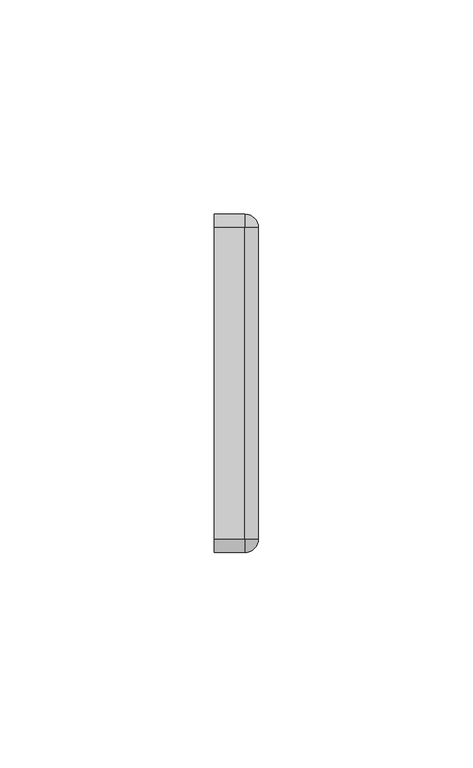
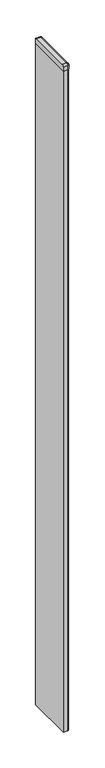
"""IFC4 building model written with IfcOpenShell, lengths in millimetres: furniture geometry."""

from ifc_helpers import new_model, si_unit, point, frame, frame_2d, origin, place, context, project, spatial, polyline, circle_curve, ellipse_curve, trimmed, segment, composite_curve, outline, extrude, source, transform, mapped, element, save
from ifc_brep_helpers import plane_surface, cylinder_surface, revolved_surface, advanced_brep


def furniture_729ce652(model_context):
    return source(origin(), model_context, "Body", "SolidModel", [
        advanced_brep(
        [(6.1101987, -36.7238842, 1150.4025358), (6.1101987, -36.7238842, 1156.7525115), (2.9351984, -36.7238842, 1159.9037), (2.9351984, -36.7238842, 1150.4025358), (2.9351984, 35.8724944, 1159.9037), (6.1101987, 35.8724944, 1156.7525115), (6.1101987, 35.8724944, 1150.4025358), (2.9351984, 35.8724944, 1150.4025358), (2.9351984, -39.8988812, 1150.4025358), (-4.1768018, -39.8988812, 1150.4025358), (-4.1768018, 39.0474944, 1150.4025358), (2.9351984, 39.0474944, 1150.4025358), (-4.1768018, 35.8724944, 1159.9037), (-4.1768018, -36.7238842, 1159.9037), (-4.1768018, 39.0474944, 1156.7525115), (-4.1768018, -39.8988812, 1156.7525115), (2.9351984, 39.0474944, 1156.7525115), (2.9351984, -39.8988812, 1156.7525115)],
        [
            (0, 1),
            (1, 2, circle_curve(frame((2.958921, -36.7238842, 1156.7525115), z_axis=(0.0, -1.0, 0.0), x_axis=(-1.0, 0.0, 0.0)), 3.1512778)),
            (2, 3),
            (3, 0),
            (4, 5, circle_curve(frame((2.958921, 35.8724944, 1156.7525115), z_axis=(0.0, 1.0, 0.0), x_axis=(-1.0, 0.0, 0.0)), 3.1512778)),
            (5, 6),
            (6, 7),
            (7, 4),
            (6, 0),
            (3, 8),
            (8, 9),
            (9, 10),
            (10, 11),
            (11, 7),
            (5, 1),
            (4, 2),
            (4, 12),
            (12, 13),
            (13, 2),
            (12, 14, circle_curve(frame((-4.1768018, 35.8962166, 1156.7525115), z_axis=(-1.0, 0.0, 0.0), x_axis=(0.0, 1.0, 0.0)), 3.1512778)),
            (14, 10),
            (9, 15),
            (15, 13, circle_curve(frame((-4.1768018, -36.7476035, 1156.7525115), z_axis=(-1.0, 0.0, 0.0), x_axis=(0.0, 1.0, 0.0)), 3.1512777)),
            (11, 16),
            (16, 4, circle_curve(frame((2.9351984, 35.8962166, 1156.7525115), z_axis=(1.0, 0.0, 0.0), x_axis=(0.0, 1.0, 0.0)), 3.1512778)),
            (14, 16),
            (2, 17, circle_curve(frame((2.9351984, -36.7476035, 1156.7525115), z_axis=(1.0, 0.0, 0.0), x_axis=(0.0, 1.0, 0.0)), 3.1512777)),
            (17, 8),
            (17, 15),
        ],
        [
            plane_surface(frame((4.522698, -36.7238842, 1156.7525115), z_axis=(0.0, -1.0, 0.0), x_axis=(0.0, 0.0, 1.0))),
            plane_surface(frame((4.522698, 35.8724944, 1156.7525115), z_axis=(0.0, 1.0, 0.0), x_axis=(0.0, 0.0, 1.0))),
            plane_surface(frame((-4.1768018, -36.7238842, 1150.4025358), z_axis=(0.0, 0.0, -1.0), x_axis=(0.0, 1.0, 0.0))),
            plane_surface(frame((6.1101987, -36.7238842, 1150.4025358), z_axis=(1.0, 0.0, 0.0), x_axis=(0.0, 1.0, 0.0))),
            cylinder_surface(frame((2.958921, -36.7238842, 1156.7525115), z_axis=(0.0, -1.0, 0.0), x_axis=(-1.0, 0.0, 0.0)), 3.1512778),
            plane_surface(frame((2.9351984, -36.7238842, 1159.9037), z_axis=(0.0, 0.0, 1.0), x_axis=(0.0, 1.0, 0.0))),
            plane_surface(frame((-4.1768018, -36.7238842, 1159.9037), z_axis=(-1.0, 0.0, 0.0), x_axis=(0.0, 1.0, 0.0))),
            plane_surface(frame((2.9351984, 37.4599943, 1156.7525115), z_axis=(1.0, 0.0, 0.0), x_axis=(0.0, 0.0, 1.0))),
            plane_surface(frame((-4.1768018, 39.0474944, 1156.7525115), z_axis=(0.0, 1.0, 0.0), x_axis=(1.0, 0.0, 0.0))),
            cylinder_surface(frame((-4.1768018, 35.8962166, 1156.7525115), z_axis=(-1.0, 0.0, 0.0), x_axis=(0.0, 1.0, 0.0)), 3.1512778),
            plane_surface(frame((2.9351984, -38.3113782, 1156.7525115), z_axis=(1.0, 0.0, 0.0), x_axis=(0.0, 0.0, 1.0))),
            plane_surface(frame((-4.1768018, -39.8988812, 1150.4025358), z_axis=(0.0, -1.0, 0.0), x_axis=(1.0, 0.0, 0.0))),
            cylinder_surface(frame((-4.1768018, -36.7476035, 1156.7525115), z_axis=(-1.0, 0.0, 0.0), x_axis=(0.0, 1.0, 0.0)), 3.1512777),
        ],
        [
            (0, [[1, 2, 3, 4]]),
            (1, [[5, 6, 7, 8]]),
            (2, [[9, -4, 10, 11, 12, 13, 14, -7]]),
            (3, [[-1, -9, -6, 15]]),
            (4, [[-2, -15, -5, 16]]),
            (5, [[-16, 17, 18, 19]]),
            (6, [[-18, 20, 21, -12, 22, 23]]),
            (7, [[24, 25, -8, -14]]),
            (8, [[-21, 26, -24, -13]]),
            (9, [[-20, -17, -25, -26]]),
            (10, [[-10, -3, 27, 28]]),
            (11, [[-22, -11, -28, 29]]),
            (12, [[-23, -29, -27, -19]]),
        ],
    ),
        advanced_brep(
        [(2.9351984, 39.0474944, 1156.7525115), (2.9351984, 39.0474944, 1150.4025358), (2.9351984, 35.8724944, 1150.4025358), (2.9351984, 35.8724944, 1159.9037), (6.1101983, 35.8724944, 1156.7525115), (6.1101983, 35.8724944, 1150.4025358)],
        [
            (0, 1),
            (1, 2),
            (2, 3),
            (3, 0, circle_curve(frame((2.9351984, 35.8962166, 1156.7525115), z_axis=(-1.0, 0.0, 0.0), x_axis=(0.0, 1.0, 0.0)), 3.1512778)),
            (4, 3, circle_curve(frame((2.9589206, 35.8724944, 1156.7525115), z_axis=(0.0, -1.0, 0.0), x_axis=(1.0, 0.0, 0.0)), 3.1512778)),
            (2, 5),
            (5, 4),
            (5, 1, circle_curve(frame((2.9351984, 35.8724944, 1150.4025358), z_axis=(0.0, 0.0, 1.0), x_axis=(0.0, 1.0, 0.0)), 3.175)),
            (0, 4, circle_curve(frame((2.9351984, 35.8724944, 1156.7525115), z_axis=(0.0, 0.0, -1.0), x_axis=(0.0, 1.0, 0.0)), 3.175)),
        ],
        [
            plane_surface(frame((2.9351984, 35.8724944, 1156.7525115), z_axis=(-1.0, 0.0, 0.0), x_axis=(0.0, 1.0, 0.0))),
            plane_surface(frame((2.9351984, 35.8724944, 1156.7525115), z_axis=(0.0, -1.0, 0.0), x_axis=(1.0, 0.0, 0.0))),
            cylinder_surface(frame((2.9351984, 35.8724944, 1156.7525115), z_axis=(0.0, 0.0, -1.0), x_axis=(0.0, 1.0, 0.0)), 3.175),
            plane_surface(frame((2.9351984, 35.8724944, 1150.4025358), z_axis=(0.0, 0.0, -1.0), x_axis=(0.0, 1.0, 0.0))),
            revolved_surface(trimmed(ellipse_curve(frame((2.9351984, 35.8962166, 1156.7525115), z_axis=(-1.0, 0.0, 0.0), x_axis=(0.0, 1.0, 0.0)), 3.1512778, 3.1512778), [point((2.9351984, 35.8724944, 1159.9037))], [point((2.9351984, 39.0474944, 1156.7525115))], True, "CARTESIAN"), (2.9351984, 35.8724944, 1156.7525115), (0.0, 0.0, -1.0)),
        ],
        [
            (0, [[1, 2, 3, 4]]),
            (1, [[5, -3, 6, 7]]),
            (2, [[8, -1, 9, -7]]),
            (3, [[-2, -8, -6]]),
            (4, [[-9, -4, -5]]),
        ],
    ),
        advanced_brep(
        [(2.9351984, -39.8988812, 1156.7525115), (2.9351984, -36.7238842, 1159.9037), (2.9351984, -36.7238842, 1150.4025358), (2.9351984, -39.8988812, 1150.4025358), (6.1101953, -36.7238842, 1156.7525115), (6.1101953, -36.7238842, 1150.4025358)],
        [
            (0, 1, circle_curve(frame((2.9351984, -36.7476035, 1156.7525115), z_axis=(-1.0, 0.0, 0.0), x_axis=(0.0, -1.0, 0.0)), 3.1512777)),
            (1, 2),
            (2, 3),
            (3, 0),
            (4, 5),
            (5, 2),
            (1, 4, circle_curve(frame((2.9589176, -36.7238842, 1156.7525115), z_axis=(0.0, 1.0, 0.0), x_axis=(1.0, 0.0, 0.0)), 3.1512777)),
            (4, 0, circle_curve(frame((2.9351984, -36.7238842, 1156.7525115), z_axis=(0.0, 0.0, -1.0), x_axis=(0.0, -1.0, 0.0)), 3.174997)),
            (3, 5, circle_curve(frame((2.9351984, -36.7238842, 1150.4025358), z_axis=(0.0, 0.0, 1.0), x_axis=(0.0, -1.0, 0.0)), 3.174997)),
        ],
        [
            plane_surface(frame((2.9351984, -36.7238842, 1156.7525115), z_axis=(-1.0, 0.0, 0.0), x_axis=(0.0, -1.0, 0.0))),
            plane_surface(frame((2.9351984, -36.7238842, 1156.7525115), z_axis=(0.0, 1.0, 0.0), x_axis=(1.0, 0.0, 0.0))),
            cylinder_surface(frame((2.9351984, -36.7238842, 1156.7525115), z_axis=(0.0, 0.0, 1.0), x_axis=(0.0, -1.0, 0.0)), 3.174997),
            revolved_surface(trimmed(ellipse_curve(frame((2.9351984, -36.7476035, 1156.7525115), z_axis=(-1.0, 0.0, 0.0), x_axis=(0.0, -1.0, 0.0)), 3.1512777, 3.1512777), [point((2.9351984, -39.8988812, 1156.7525115))], [point((2.9351984, -36.7238842, 1159.9037))], True, "CARTESIAN"), (2.9351984, -36.7238842, 1156.7525115), (0.0, 0.0, 1.0)),
            plane_surface(frame((2.9351984, -36.7238842, 1150.4025358), z_axis=(0.0, 0.0, -1.0), x_axis=(0.0, -1.0, 0.0))),
        ],
        [
            (0, [[1, 2, 3, 4]]),
            (1, [[5, 6, -2, 7]]),
            (2, [[8, -4, 9, -5]]),
            (3, [[-1, -8, -7]]),
            (4, [[-9, -3, -6]]),
        ],
    ),
        extrude(outline(composite_curve([segment(trimmed(circle_curve(frame_2d((2.9351984, 35.8469786)), 2.8068158), [point((2.9351984, 38.6537944))], [point((5.7418982, 35.8724944))], False, "CARTESIAN"), True, "CONTINUOUS"), segment(polyline([(5.7418982, 35.8724944), (5.7418982, -36.7238842)]), True, "CONTINUOUS"), segment(trimmed(circle_curve(frame_2d((2.9351984, -36.7238808)), 2.8066998), [point((5.7418982, -36.7238842))], [point((2.9351984, -39.5305806))], False, "CARTESIAN"), True, "CONTINUOUS"), segment(polyline([(2.9351984, -39.5305806), (-3.7831018, -39.5305806), (-3.7831018, 38.6537944), (2.9351984, 38.6537944)]), True, "CONTINUOUS")], self_intersect=False)), frame((0.0, 0.0, 14.2875), z_axis=(0.0, 0.0, 1.0), x_axis=(1.0, 0.0, 0.0)), (0.0, 0.0, 1.0), 1136.1150358),
    ])


if __name__ == "__main__":
    model = new_model("IFC4")
    model_context = context("Model", 3, world=origin())
    ifc_project = project(units=[si_unit("LENGTHUNIT", "METRE", prefix="MILLI")], contexts=[model_context])
    site = spatial("IfcSite", under=ifc_project)
    building = spatial("IfcBuilding", under=site)
    placement = place(None, origin())
    furniture_shape = furniture_729ce652(model_context)
    element("IfcFurniture", 1, at=placement, inside=building, context=model_context, shape_type="MappedRepresentation", body=[
        mapped(furniture_shape, transform((0.0, 0.0, 0.0), x_axis=(1.0, 0.0, 0.0), y_axis=(0.0, 1.0, 0.0), z_axis=(0.0, 0.0, 1.0))),
    ])
    save(model, "model.ifc")
